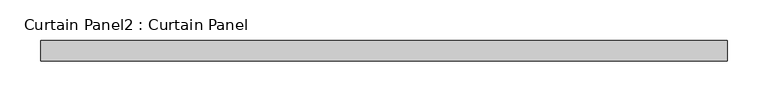
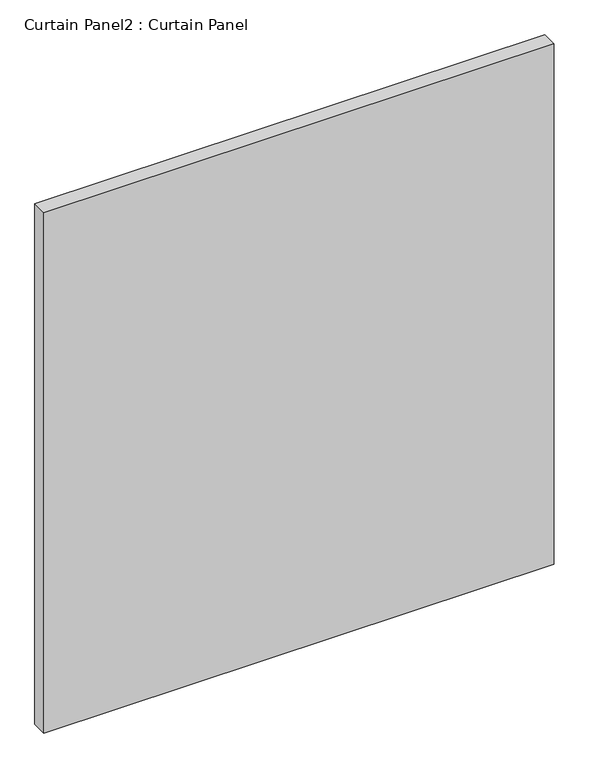
"""IFC4 building model written with IfcOpenShell, lengths in millimetres: plate geometry, Curtain Panel2 : Curtain Panel."""

from ifc_helpers import new_model, si_unit, frame, origin, place, context, project, spatial, polyline, outline, extrude, source, transform, mapped, element, save


def curtain_panel2_curtain_panel_6b788c22(model_context):
    return source(origin(), model_context, "Body", "SweptSolid", [
        extrude(outline(polyline([(-19224.8572966, 2096.4441321), (-20069.1723011, 2096.4441321), (-20069.1723011, 2121.8441321), (-19224.8572966, 2121.8441321), (-19224.8572966, 2096.4441321)])), frame((0.0, 0.0, 229.3049524), z_axis=(0.0, 0.0, 1.0), x_axis=(1.0, 0.0, 0.0)), (0.0, 0.0, 1.0), 909.8730849),
    ])


if __name__ == "__main__":
    model = new_model("IFC4")
    model_context = context("Model", 3, world=origin())
    ifc_project = project(units=[si_unit("LENGTHUNIT", "METRE", prefix="MILLI")], contexts=[model_context])
    site = spatial("IfcSite", under=ifc_project)
    building = spatial("IfcBuilding", under=site)
    placement = place(None, origin())
    curtain_panel2_curtain_panel_shape = curtain_panel2_curtain_panel_6b788c22(model_context)
    element("IfcPlate", 1, ObjectType="Curtain Panel2 : Curtain Panel", at=placement, inside=building, context=model_context, shape_type="MappedRepresentation", body=[
        mapped(curtain_panel2_curtain_panel_shape, transform((0.0, 0.0, 0.0), x_axis=(1.0, 0.0, 0.0), y_axis=(0.0, 1.0, 0.0), z_axis=(0.0, 0.0, 1.0))),
    ])
    save(model, "model.ifc")
